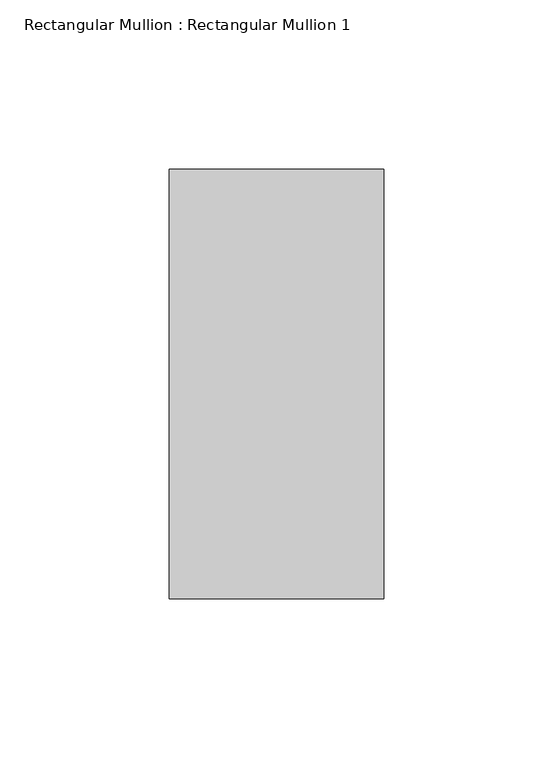
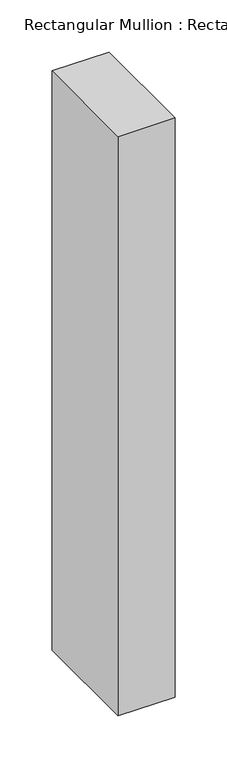
"""IFC4 building model written with IfcOpenShell, lengths in millimetres: member geometry, Rectangular Mullion : Rectangular Mullion 1."""

from ifc_helpers import new_model, si_unit, frame, origin, place, context, project, spatial, polyline, outline, extrude, source, transform, mapped, element, save


def rectangular_mullion_rectangular_mullion_1_f27d406d(model_context):
    return source(origin(), model_context, "Body", "SweptSolid", [
        extrude(outline(polyline([(31.75, 63.5), (31.75, -63.5), (-31.75, -63.5), (-31.75, 63.5), (31.75, 63.5)])), frame((0.0, 0.0, -679.45), z_axis=(0.0, 0.0, 1.0), x_axis=(1.0, 0.0, 0.0)), (0.0, 0.0, 1.0), 679.45),
    ])


if __name__ == "__main__":
    model = new_model("IFC4")
    model_context = context("Model", 3, world=origin())
    ifc_project = project(units=[si_unit("LENGTHUNIT", "METRE", prefix="MILLI")], contexts=[model_context])
    site = spatial("IfcSite", under=ifc_project)
    building = spatial("IfcBuilding", under=site)
    placement = place(None, origin())
    rectangular_mullion_rectangular_mullion_1_shape = rectangular_mullion_rectangular_mullion_1_f27d406d(model_context)
    element("IfcMember", 1, ObjectType="Rectangular Mullion : Rectangular Mullion 1", at=placement, inside=building, context=model_context, shape_type="MappedRepresentation", body=[
        mapped(rectangular_mullion_rectangular_mullion_1_shape, transform((0.0, 0.0, 0.0), x_axis=(1.0, 0.0, 0.0), y_axis=(0.0, 1.0, 0.0), z_axis=(0.0, 0.0, 1.0))),
    ])
    save(model, "model.ifc")
